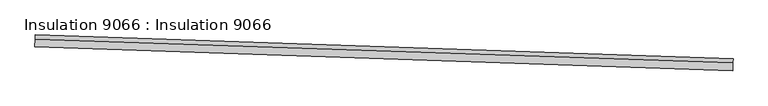
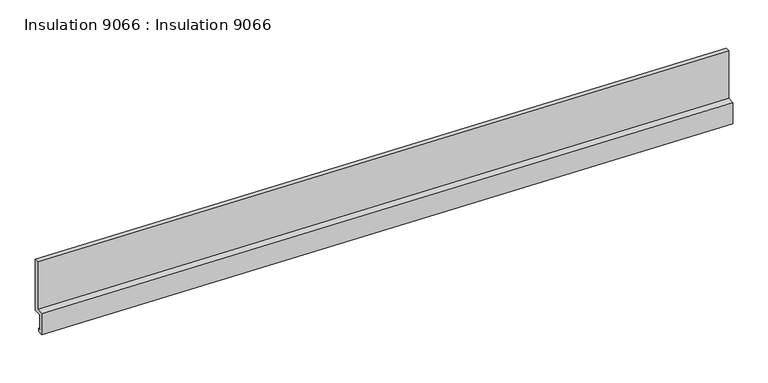
"""IFC4 building model written with IfcOpenShell, lengths in millimetres: proxy geometry, Insulation 9066 : Insulation 9066."""

import ifcopenshell
import ifcopenshell.guid

model = None  # the IFC model being written
_history = None  # IfcOwnerHistory: only IFC2X3 demands one
_inside = {}  # id of a spatial element -> (the spatial element, [elements in it])
_under = {}  # id of a project, library or spatial element -> (it, [spatial elements below it])
_declared = {}  # id of a project -> (the project, [libraries it declares])
_typed = {}  # id of a type object -> (the type object, [elements of that type])
_made_of = {}  # id of a material, layer set ... -> (it, [elements and type objects made of it])


def new_model(schema):
    """Start an empty IFC model of exactly this schema.

    Asked for "IFC4X3", IfcOpenShell would pick the latest addendum, in which some entities
    have other attributes; the version numbers below select the first issue.
    IFC2X3 requires an IfcOwnerHistory on every rooted entity: one is made here for all.
    """
    global model, _history
    if schema == "IFC4X3":
        model = ifcopenshell.file(schema_version=(4, 3, 0, 0))
    else:
        model = ifcopenshell.file(schema=schema)
    _inside.clear()
    _under.clear()
    _declared.clear()
    _typed.clear()
    _made_of.clear()
    _history = None
    if model.schema == "IFC2X3":
        org = make("IfcOrganization", Name="unknown")
        user = make(
            "IfcPersonAndOrganization",
            ThePerson=make("IfcPerson", FamilyName="unknown"),
            TheOrganization=org,
        )
        app = make(
            "IfcApplication",
            ApplicationDeveloper=org,
            Version="unknown",
            ApplicationFullName="unknown",
            ApplicationIdentifier="unknown",
        )
        _history = make(
            "IfcOwnerHistory",
            OwningUser=user,
            OwningApplication=app,
            ChangeAction="ADDED",
            CreationDate=0,
        )
    return model


def make(cls, **values):
    """One entity of the class cls with the attributes given. An attribute that is None is left unset."""
    return model.create_entity(
        cls, **{name: value for name, value in values.items() if value is not None}
    )


def rooted(cls, **values):
    """An entity with a GlobalId (a new one), such as an element, a storey or a relation."""
    return make(cls, GlobalId=ifcopenshell.guid.new(), OwnerHistory=_history, **values)


def si_unit(unit_type, name, prefix=None):
    """IfcSIUnit, for example si_unit("LENGTHUNIT", "METRE", prefix="MILLI")."""
    return make("IfcSIUnit", UnitType=unit_type, Prefix=prefix, Name=name)


def assignment(units):
    """IfcUnitAssignment: the units of a project."""
    return None if units is None else make("IfcUnitAssignment", Units=units)


def point(xyz):
    """IfcCartesianPoint."""
    return None if xyz is None else make("IfcCartesianPoint", Coordinates=xyz)


def direction(xyz):
    """IfcDirection."""
    return None if xyz is None else make("IfcDirection", DirectionRatios=xyz)


def frame(location, z_axis=None, x_axis=None):
    """IfcAxis2Placement3D, a coordinate frame: its origin and axes. An axis left out is left unset."""
    return make(
        "IfcAxis2Placement3D",
        Location=point(location),
        Axis=direction(z_axis),
        RefDirection=direction(x_axis),
    )


def origin():
    """The frame at (0, 0, 0) with its axes left unset."""
    return frame((0.0, 0.0, 0.0))


def place(relative_to, where):
    """IfcLocalPlacement: puts the frame where relative to a parent placement (None: the world)."""
    return make(
        "IfcLocalPlacement", PlacementRelTo=relative_to, RelativePlacement=where
    )


def context(
    kind, dimensions, precision=None, world=None, true_north=None, identifier=None
):
    """IfcGeometricRepresentationContext, for example the 3D "Model" context."""
    return make(
        "IfcGeometricRepresentationContext",
        ContextIdentifier=identifier,
        ContextType=kind,
        CoordinateSpaceDimension=dimensions,
        Precision=precision,
        WorldCoordinateSystem=world,
        TrueNorth=true_north,
    )


def project(units=None, contexts=None):
    """IfcProject with its units and contexts."""
    return rooted(
        "IfcProject",
        Name="project",
        RepresentationContexts=contexts,
        UnitsInContext=assignment(units),
    )


def spatial(cls, under=None, at=None, **own):
    """A site, building, storey or space (cls), placed at a placement, below another one or the project."""
    s = rooted(cls, ObjectPlacement=at, **own)
    if under is not None:
        _under.setdefault(under.id(), (under, []))[1].append(s)
    return s


def polyline(points):
    """IfcPolyline through the points."""
    return make("IfcPolyline", Points=[point(p) for p in points])


def outline(outer, holes=None, kind="AREA"):
    """IfcArbitraryClosedProfileDef: a profile drawn as a closed curve; with holes, ...WithVoids."""
    if holes is None:
        return make("IfcArbitraryClosedProfileDef", ProfileType=kind, OuterCurve=outer)
    return make(
        "IfcArbitraryProfileDefWithVoids",
        ProfileType=kind,
        OuterCurve=outer,
        InnerCurves=holes,
    )


def extrude(swept, where, along, depth):
    """IfcExtrudedAreaSolid: the profile swept, set in the frame where, extruded along a direction by depth."""
    return make(
        "IfcExtrudedAreaSolid",
        SweptArea=swept,
        Position=where,
        ExtrudedDirection=direction(along),
        Depth=depth,
    )


def shape(context_of_items, identifier, shape_type, items):
    """IfcShapeRepresentation: the items that make up one representation, for example the "Body"."""
    return make(
        "IfcShapeRepresentation",
        ContextOfItems=context_of_items,
        RepresentationIdentifier=identifier,
        RepresentationType=shape_type,
        Items=items,
    )


def source(mapping_origin, context_of_items, identifier, shape_type, items):
    """IfcRepresentationMap: a shape defined once, which mapped items show again and again."""
    return make(
        "IfcRepresentationMap",
        MappingOrigin=mapping_origin,
        MappedRepresentation=shape(context_of_items, identifier, shape_type, items),
    )


def transform(
    local_origin,
    x_axis=None,
    y_axis=None,
    z_axis=None,
    scale=None,
    scale2=None,
    scale3=None,
    uniform=True,
):
    """IfcCartesianTransformationOperator3D, or its non-uniform kind. x_axis, y_axis, z_axis: its Axis1, 2, 3."""
    if uniform:
        return make(
            "IfcCartesianTransformationOperator3D",
            Axis1=direction(x_axis),
            Axis2=direction(y_axis),
            LocalOrigin=point(local_origin),
            Scale=scale,
            Axis3=direction(z_axis),
        )
    return make(
        "IfcCartesianTransformationOperator3DnonUniform",
        Axis1=direction(x_axis),
        Axis2=direction(y_axis),
        LocalOrigin=point(local_origin),
        Scale=scale,
        Axis3=direction(z_axis),
        Scale2=scale2,
        Scale3=scale3,
    )


def mapped(mapping_source, mapping_target):
    """IfcMappedItem: shows the shape of a source again, moved by a transform."""
    return make(
        "IfcMappedItem", MappingSource=mapping_source, MappingTarget=mapping_target
    )


def made_of(thing, what):
    """Note that an element or type object is made of a material, layer set ...; save() writes the relation."""
    if what is not None:
        _made_of.setdefault(what.id(), (what, []))[1].append(thing)
    return thing


def element(
    cls,
    number,
    at=None,
    inside=None,
    cuts=None,
    type_object=None,
    material=None,
    context=None,
    identifier="Body",
    shape_type=None,
    held_by="IfcProductDefinitionShape",
    body=None,
    shapes=None,
    **own,
):
    """One element of the class cls, such as IfcWall. Its Tag is "e" and its number.

    at: its placement. inside: the storey or other place that contains it. cuts: it is an
    opening in that element (IfcRelVoidsElement). A single representation is given by context,
    identifier, shape_type and body (its items); several are given by shapes. held_by: the class
    of the entity that holds the representations. save() writes the other relations.
    """
    e = rooted(cls, Tag="e%d" % number, ObjectPlacement=at, **own)
    if body is not None:
        shapes = [shape(context, identifier, shape_type, body)]
    if shapes is not None:
        e.Representation = make(held_by, Representations=shapes)
    if inside is not None:
        _inside.setdefault(inside.id(), (inside, []))[1].append(e)
    if cuts is not None:
        rooted(
            "IfcRelVoidsElement", RelatingBuildingElement=cuts, RelatedOpeningElement=e
        )
    if type_object is not None:
        _typed.setdefault(type_object.id(), (type_object, []))[1].append(e)
    return made_of(e, material)


def aggregate(whole, parts):
    """IfcRelAggregates: a whole, such as a stair, and the parts it consists of."""
    return rooted("IfcRelAggregates", RelatingObject=whole, RelatedObjects=parts)


def save(model, path):
    """Write the relations noted so far, then the file.

    IfcRelAggregates (storeys below a building ...), IfcRelContainedInSpatialStructure (elements
    in a storey), IfcRelDefinesByType, IfcRelAssociatesMaterial and IfcRelDeclares: one each for
    every whole, place, type object, material and project.
    """
    for whole, parts in _under.values():
        aggregate(whole, parts)
    for where, things in _inside.values():
        rooted(
            "IfcRelContainedInSpatialStructure",
            RelatedElements=things,
            RelatingStructure=where,
        )
    for kind, things in _typed.values():
        rooted("IfcRelDefinesByType", RelatedObjects=things, RelatingType=kind)
    for what, things in _made_of.values():
        rooted("IfcRelAssociatesMaterial", RelatedObjects=things, RelatingMaterial=what)
    for by, libraries in _declared.values():
        rooted("IfcRelDeclares", RelatingContext=by, RelatedDefinitions=libraries)
    model.write(path)


def insulation_9066_insulation_9066_53fdd98f(model_context):
    return source(origin(), model_context, "Body", "SweptSolid", [
        extrude(outline(polyline([(101.5999991, 0.0), (101.5999991, -1270.7957126), (295.2475573, -1270.7957126), (295.2475573, -1823.2457126), (156.2679689, -1823.2457126), (156.2679689, -1733.5519626), (203.1728751, -1733.5519626), (203.1728751, -1352.5519626), (0.0, -1352.5519626), (0.0, 0.0), (101.5999991, 0.0)])), frame((34354.9551911, -15459.5689323, 4565.6519626), z_axis=(-0.999414947279594, 0.03420180045153094, 0.0), x_axis=(-0.03420180045153094, -0.999414947279594, 0.0)), (0.0, 0.0, 1.0), 17068.8),
    ])


if __name__ == "__main__":
    model = new_model("IFC4")
    model_context = context("Model", 3, world=origin())
    ifc_project = project(units=[si_unit("LENGTHUNIT", "METRE", prefix="MILLI")], contexts=[model_context])
    site = spatial("IfcSite", under=ifc_project)
    building = spatial("IfcBuilding", under=site)
    placement = place(None, origin())
    insulation_9066_insulation_9066_shape = insulation_9066_insulation_9066_53fdd98f(model_context)
    element("IfcBuildingElementProxy", 1, Name="Insulation 9066 : Insulation 9066", ObjectType="Insulation 9066 : Insulation 9066", at=placement, inside=building, context=model_context, shape_type="MappedRepresentation", body=[
        mapped(insulation_9066_insulation_9066_shape, transform((0.0, 0.0, 0.0), x_axis=(1.0, 0.0, 0.0), y_axis=(0.0, 1.0, 0.0), z_axis=(0.0, 0.0, 1.0))),
    ])
    save(model, "model.ifc")
